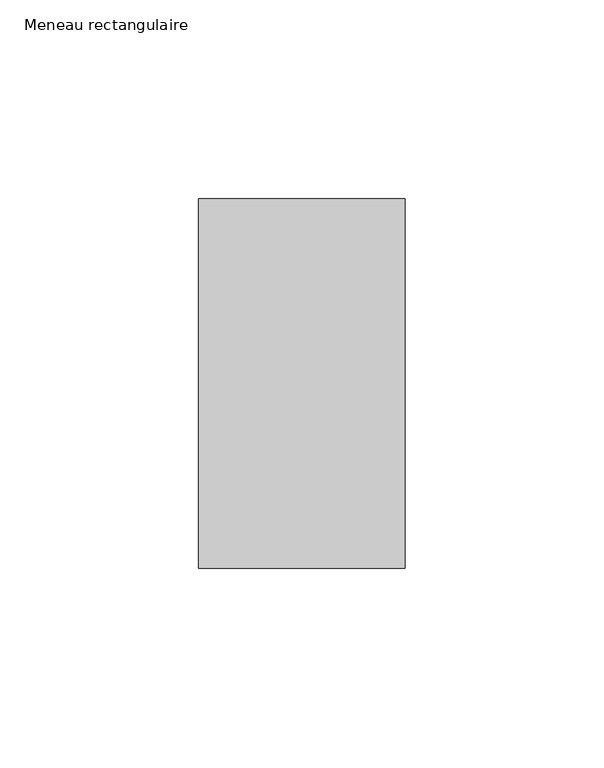
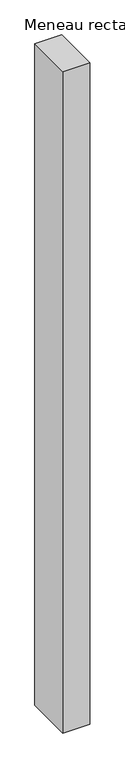
"""IFC4 building model written with IfcOpenShell, lengths in millimetres: member geometry, Meneau rectangulaire."""

from ifc_helpers import new_model, si_unit, frame, origin, place, context, project, spatial, polyline, outline, extrude, source, transform, mapped, element, save


def meneau_rectangulaire_384aaa42(model_context):
    return source(origin(), model_context, "Body", "SweptSolid", [
        extrude(outline(polyline([(-52.0, 46.5), (0.0, 46.5), (0.0, -46.5), (-52.0, -46.5), (-52.0, 46.5)])), frame((0.0, 0.0, -1344.6666666), z_axis=(0.0, 0.0, 1.0), x_axis=(1.0, 0.0, 0.0)), (0.0, 0.0, 1.0), 1344.6666666),
    ])


if __name__ == "__main__":
    model = new_model("IFC4")
    model_context = context("Model", 3, world=origin())
    ifc_project = project(units=[si_unit("LENGTHUNIT", "METRE", prefix="MILLI")], contexts=[model_context])
    site = spatial("IfcSite", under=ifc_project)
    building = spatial("IfcBuilding", under=site)
    placement = place(None, origin())
    meneau_rectangulaire_shape = meneau_rectangulaire_384aaa42(model_context)
    element("IfcMember", 1, ObjectType="Meneau rectangulaire", at=placement, inside=building, context=model_context, shape_type="MappedRepresentation", body=[
        mapped(meneau_rectangulaire_shape, transform((0.0, 0.0, 0.0), x_axis=(1.0, 0.0, 0.0), y_axis=(0.0, 1.0, 0.0), z_axis=(0.0, 0.0, 1.0))),
    ])
    save(model, "model.ifc")
